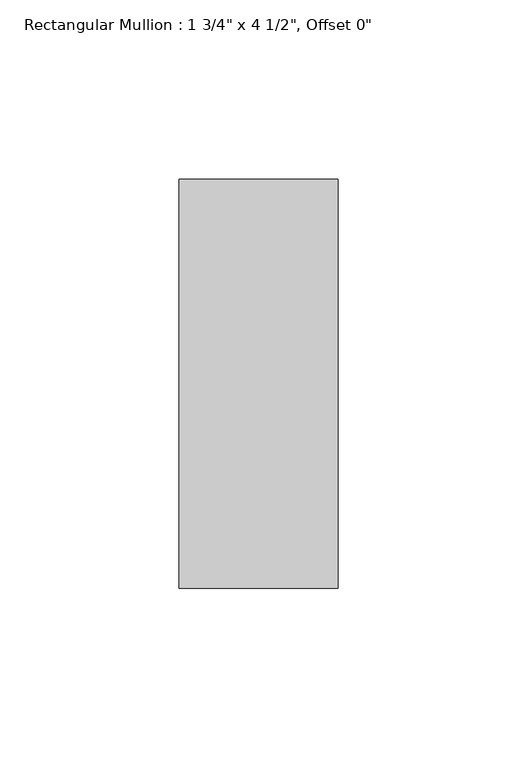
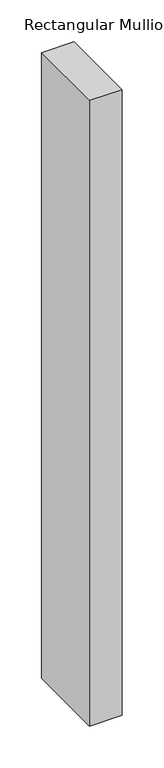
"""IFC4 building model written with IfcOpenShell, lengths in millimetres: member geometry."""

import ifcopenshell
import ifcopenshell.guid

model = None  # the IFC model being written
_history = None  # IfcOwnerHistory: only IFC2X3 demands one
_inside = {}  # id of a spatial element -> (the spatial element, [elements in it])
_under = {}  # id of a project, library or spatial element -> (it, [spatial elements below it])
_declared = {}  # id of a project -> (the project, [libraries it declares])
_typed = {}  # id of a type object -> (the type object, [elements of that type])
_made_of = {}  # id of a material, layer set ... -> (it, [elements and type objects made of it])


def new_model(schema):
    """Start an empty IFC model of exactly this schema.

    Asked for "IFC4X3", IfcOpenShell would pick the latest addendum, in which some entities
    have other attributes; the version numbers below select the first issue.
    IFC2X3 requires an IfcOwnerHistory on every rooted entity: one is made here for all.
    """
    global model, _history
    if schema == "IFC4X3":
        model = ifcopenshell.file(schema_version=(4, 3, 0, 0))
    else:
        model = ifcopenshell.file(schema=schema)
    _inside.clear()
    _under.clear()
    _declared.clear()
    _typed.clear()
    _made_of.clear()
    _history = None
    if model.schema == "IFC2X3":
        org = make("IfcOrganization", Name="unknown")
        user = make(
            "IfcPersonAndOrganization",
            ThePerson=make("IfcPerson", FamilyName="unknown"),
            TheOrganization=org,
        )
        app = make(
            "IfcApplication",
            ApplicationDeveloper=org,
            Version="unknown",
            ApplicationFullName="unknown",
            ApplicationIdentifier="unknown",
        )
        _history = make(
            "IfcOwnerHistory",
            OwningUser=user,
            OwningApplication=app,
            ChangeAction="ADDED",
            CreationDate=0,
        )
    return model


def make(cls, **values):
    """One entity of the class cls with the attributes given. An attribute that is None is left unset."""
    return model.create_entity(
        cls, **{name: value for name, value in values.items() if value is not None}
    )


def rooted(cls, **values):
    """An entity with a GlobalId (a new one), such as an element, a storey or a relation."""
    return make(cls, GlobalId=ifcopenshell.guid.new(), OwnerHistory=_history, **values)


def si_unit(unit_type, name, prefix=None):
    """IfcSIUnit, for example si_unit("LENGTHUNIT", "METRE", prefix="MILLI")."""
    return make("IfcSIUnit", UnitType=unit_type, Prefix=prefix, Name=name)


def assignment(units):
    """IfcUnitAssignment: the units of a project."""
    return None if units is None else make("IfcUnitAssignment", Units=units)


def point(xyz):
    """IfcCartesianPoint."""
    return None if xyz is None else make("IfcCartesianPoint", Coordinates=xyz)


def direction(xyz):
    """IfcDirection."""
    return None if xyz is None else make("IfcDirection", DirectionRatios=xyz)


def frame(location, z_axis=None, x_axis=None):
    """IfcAxis2Placement3D, a coordinate frame: its origin and axes. An axis left out is left unset."""
    return make(
        "IfcAxis2Placement3D",
        Location=point(location),
        Axis=direction(z_axis),
        RefDirection=direction(x_axis),
    )


def origin():
    """The frame at (0, 0, 0) with its axes left unset."""
    return frame((0.0, 0.0, 0.0))


def place(relative_to, where):
    """IfcLocalPlacement: puts the frame where relative to a parent placement (None: the world)."""
    return make(
        "IfcLocalPlacement", PlacementRelTo=relative_to, RelativePlacement=where
    )


def context(
    kind, dimensions, precision=None, world=None, true_north=None, identifier=None
):
    """IfcGeometricRepresentationContext, for example the 3D "Model" context."""
    return make(
        "IfcGeometricRepresentationContext",
        ContextIdentifier=identifier,
        ContextType=kind,
        CoordinateSpaceDimension=dimensions,
        Precision=precision,
        WorldCoordinateSystem=world,
        TrueNorth=true_north,
    )


def project(units=None, contexts=None):
    """IfcProject with its units and contexts."""
    return rooted(
        "IfcProject",
        Name="project",
        RepresentationContexts=contexts,
        UnitsInContext=assignment(units),
    )


def spatial(cls, under=None, at=None, **own):
    """A site, building, storey or space (cls), placed at a placement, below another one or the project."""
    s = rooted(cls, ObjectPlacement=at, **own)
    if under is not None:
        _under.setdefault(under.id(), (under, []))[1].append(s)
    return s


def polyline(points):
    """IfcPolyline through the points."""
    return make("IfcPolyline", Points=[point(p) for p in points])


def outline(outer, holes=None, kind="AREA"):
    """IfcArbitraryClosedProfileDef: a profile drawn as a closed curve; with holes, ...WithVoids."""
    if holes is None:
        return make("IfcArbitraryClosedProfileDef", ProfileType=kind, OuterCurve=outer)
    return make(
        "IfcArbitraryProfileDefWithVoids",
        ProfileType=kind,
        OuterCurve=outer,
        InnerCurves=holes,
    )


def extrude(swept, where, along, depth):
    """IfcExtrudedAreaSolid: the profile swept, set in the frame where, extruded along a direction by depth."""
    return make(
        "IfcExtrudedAreaSolid",
        SweptArea=swept,
        Position=where,
        ExtrudedDirection=direction(along),
        Depth=depth,
    )


def shape(context_of_items, identifier, shape_type, items):
    """IfcShapeRepresentation: the items that make up one representation, for example the "Body"."""
    return make(
        "IfcShapeRepresentation",
        ContextOfItems=context_of_items,
        RepresentationIdentifier=identifier,
        RepresentationType=shape_type,
        Items=items,
    )


def source(mapping_origin, context_of_items, identifier, shape_type, items):
    """IfcRepresentationMap: a shape defined once, which mapped items show again and again."""
    return make(
        "IfcRepresentationMap",
        MappingOrigin=mapping_origin,
        MappedRepresentation=shape(context_of_items, identifier, shape_type, items),
    )


def transform(
    local_origin,
    x_axis=None,
    y_axis=None,
    z_axis=None,
    scale=None,
    scale2=None,
    scale3=None,
    uniform=True,
):
    """IfcCartesianTransformationOperator3D, or its non-uniform kind. x_axis, y_axis, z_axis: its Axis1, 2, 3."""
    if uniform:
        return make(
            "IfcCartesianTransformationOperator3D",
            Axis1=direction(x_axis),
            Axis2=direction(y_axis),
            LocalOrigin=point(local_origin),
            Scale=scale,
            Axis3=direction(z_axis),
        )
    return make(
        "IfcCartesianTransformationOperator3DnonUniform",
        Axis1=direction(x_axis),
        Axis2=direction(y_axis),
        LocalOrigin=point(local_origin),
        Scale=scale,
        Axis3=direction(z_axis),
        Scale2=scale2,
        Scale3=scale3,
    )


def mapped(mapping_source, mapping_target):
    """IfcMappedItem: shows the shape of a source again, moved by a transform."""
    return make(
        "IfcMappedItem", MappingSource=mapping_source, MappingTarget=mapping_target
    )


def made_of(thing, what):
    """Note that an element or type object is made of a material, layer set ...; save() writes the relation."""
    if what is not None:
        _made_of.setdefault(what.id(), (what, []))[1].append(thing)
    return thing


def element(
    cls,
    number,
    at=None,
    inside=None,
    cuts=None,
    type_object=None,
    material=None,
    context=None,
    identifier="Body",
    shape_type=None,
    held_by="IfcProductDefinitionShape",
    body=None,
    shapes=None,
    **own,
):
    """One element of the class cls, such as IfcWall. Its Tag is "e" and its number.

    at: its placement. inside: the storey or other place that contains it. cuts: it is an
    opening in that element (IfcRelVoidsElement). A single representation is given by context,
    identifier, shape_type and body (its items); several are given by shapes. held_by: the class
    of the entity that holds the representations. save() writes the other relations.
    """
    e = rooted(cls, Tag="e%d" % number, ObjectPlacement=at, **own)
    if body is not None:
        shapes = [shape(context, identifier, shape_type, body)]
    if shapes is not None:
        e.Representation = make(held_by, Representations=shapes)
    if inside is not None:
        _inside.setdefault(inside.id(), (inside, []))[1].append(e)
    if cuts is not None:
        rooted(
            "IfcRelVoidsElement", RelatingBuildingElement=cuts, RelatedOpeningElement=e
        )
    if type_object is not None:
        _typed.setdefault(type_object.id(), (type_object, []))[1].append(e)
    return made_of(e, material)


def aggregate(whole, parts):
    """IfcRelAggregates: a whole, such as a stair, and the parts it consists of."""
    return rooted("IfcRelAggregates", RelatingObject=whole, RelatedObjects=parts)


def save(model, path):
    """Write the relations noted so far, then the file.

    IfcRelAggregates (storeys below a building ...), IfcRelContainedInSpatialStructure (elements
    in a storey), IfcRelDefinesByType, IfcRelAssociatesMaterial and IfcRelDeclares: one each for
    every whole, place, type object, material and project.
    """
    for whole, parts in _under.values():
        aggregate(whole, parts)
    for where, things in _inside.values():
        rooted(
            "IfcRelContainedInSpatialStructure",
            RelatedElements=things,
            RelatingStructure=where,
        )
    for kind, things in _typed.values():
        rooted("IfcRelDefinesByType", RelatedObjects=things, RelatingType=kind)
    for what, things in _made_of.values():
        rooted("IfcRelAssociatesMaterial", RelatedObjects=things, RelatingMaterial=what)
    for by, libraries in _declared.values():
        rooted("IfcRelDeclares", RelatingContext=by, RelatedDefinitions=libraries)
    model.write(path)


def member_fe8d2bac(model_context):
    return source(origin(), model_context, "Body", "SweptSolid", [
        extrude(outline(polyline([(22.225, 57.15), (22.225, -57.15), (-22.225, -57.15), (-22.225, 57.15), (22.225, 57.15)])), frame((0.0, 0.0, -911.225), z_axis=(0.0, 0.0, 1.0), x_axis=(1.0, 0.0, 0.0)), (0.0, 0.0, 1.0), 911.225),
    ])


if __name__ == "__main__":
    model = new_model("IFC4")
    model_context = context("Model", 3, world=origin())
    ifc_project = project(units=[si_unit("LENGTHUNIT", "METRE", prefix="MILLI")], contexts=[model_context])
    site = spatial("IfcSite", under=ifc_project)
    building = spatial("IfcBuilding", under=site)
    placement = place(None, origin())
    member_shape = member_fe8d2bac(model_context)
    element("IfcMember", 1, ObjectType="Rectangular Mullion : 1 3/4\" x 4 1/2\", Offset 0\"", at=placement, inside=building, context=model_context, shape_type="MappedRepresentation", body=[
        mapped(member_shape, transform((0.0, 0.0, 0.0), x_axis=(1.0, 0.0, 0.0), y_axis=(0.0, 1.0, 0.0), z_axis=(0.0, 0.0, 1.0))),
    ])
    save(model, "model.ifc")
